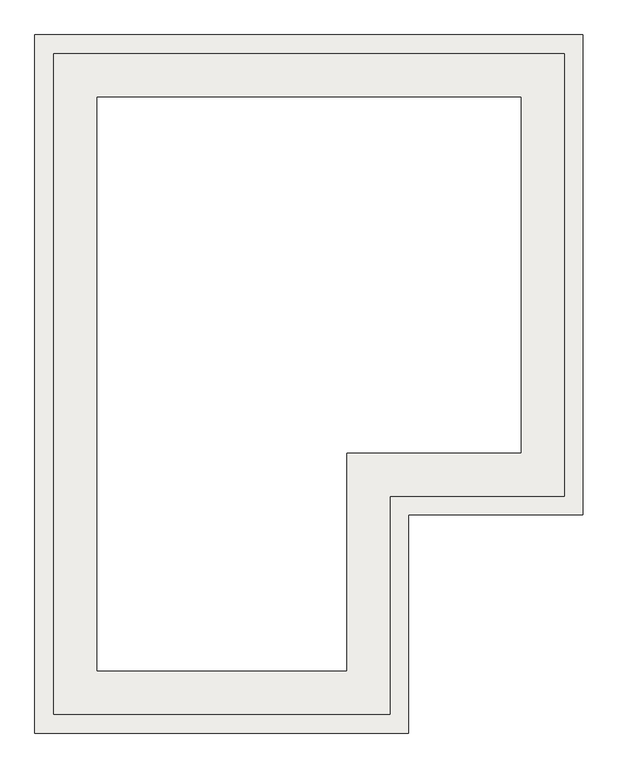
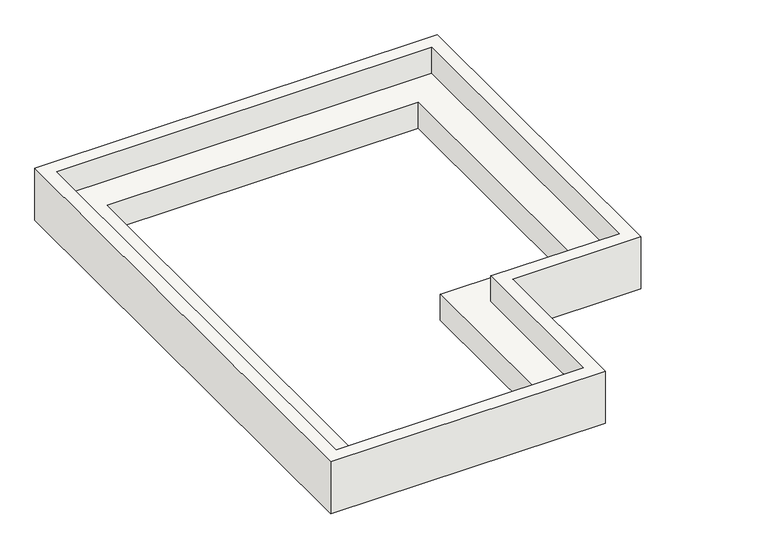
"""IFC4 building model written with IfcOpenShell, lengths in millimetres: slab geometry."""

import ifcopenshell
import ifcopenshell.guid

model = None  # the IFC model being written
_history = None  # IfcOwnerHistory: only IFC2X3 demands one
_inside = {}  # id of a spatial element -> (the spatial element, [elements in it])
_under = {}  # id of a project, library or spatial element -> (it, [spatial elements below it])
_declared = {}  # id of a project -> (the project, [libraries it declares])
_typed = {}  # id of a type object -> (the type object, [elements of that type])
_made_of = {}  # id of a material, layer set ... -> (it, [elements and type objects made of it])


def new_model(schema):
    """Start an empty IFC model of exactly this schema.

    Asked for "IFC4X3", IfcOpenShell would pick the latest addendum, in which some entities
    have other attributes; the version numbers below select the first issue.
    IFC2X3 requires an IfcOwnerHistory on every rooted entity: one is made here for all.
    """
    global model, _history
    if schema == "IFC4X3":
        model = ifcopenshell.file(schema_version=(4, 3, 0, 0))
    else:
        model = ifcopenshell.file(schema=schema)
    _inside.clear()
    _under.clear()
    _declared.clear()
    _typed.clear()
    _made_of.clear()
    _history = None
    if model.schema == "IFC2X3":
        org = make("IfcOrganization", Name="unknown")
        user = make(
            "IfcPersonAndOrganization",
            ThePerson=make("IfcPerson", FamilyName="unknown"),
            TheOrganization=org,
        )
        app = make(
            "IfcApplication",
            ApplicationDeveloper=org,
            Version="unknown",
            ApplicationFullName="unknown",
            ApplicationIdentifier="unknown",
        )
        _history = make(
            "IfcOwnerHistory",
            OwningUser=user,
            OwningApplication=app,
            ChangeAction="ADDED",
            CreationDate=0,
        )
    return model


def make(cls, **values):
    """One entity of the class cls with the attributes given. An attribute that is None is left unset."""
    return model.create_entity(
        cls, **{name: value for name, value in values.items() if value is not None}
    )


def rooted(cls, **values):
    """An entity with a GlobalId (a new one), such as an element, a storey or a relation."""
    return make(cls, GlobalId=ifcopenshell.guid.new(), OwnerHistory=_history, **values)


def si_unit(unit_type, name, prefix=None):
    """IfcSIUnit, for example si_unit("LENGTHUNIT", "METRE", prefix="MILLI")."""
    return make("IfcSIUnit", UnitType=unit_type, Prefix=prefix, Name=name)


def assignment(units):
    """IfcUnitAssignment: the units of a project."""
    return None if units is None else make("IfcUnitAssignment", Units=units)


def point(xyz):
    """IfcCartesianPoint."""
    return None if xyz is None else make("IfcCartesianPoint", Coordinates=xyz)


def direction(xyz):
    """IfcDirection."""
    return None if xyz is None else make("IfcDirection", DirectionRatios=xyz)


def frame(location, z_axis=None, x_axis=None):
    """IfcAxis2Placement3D, a coordinate frame: its origin and axes. An axis left out is left unset."""
    return make(
        "IfcAxis2Placement3D",
        Location=point(location),
        Axis=direction(z_axis),
        RefDirection=direction(x_axis),
    )


def origin():
    """The frame at (0, 0, 0) with its axes left unset."""
    return frame((0.0, 0.0, 0.0))


def place(relative_to, where):
    """IfcLocalPlacement: puts the frame where relative to a parent placement (None: the world)."""
    return make(
        "IfcLocalPlacement", PlacementRelTo=relative_to, RelativePlacement=where
    )


def context(
    kind, dimensions, precision=None, world=None, true_north=None, identifier=None
):
    """IfcGeometricRepresentationContext, for example the 3D "Model" context."""
    return make(
        "IfcGeometricRepresentationContext",
        ContextIdentifier=identifier,
        ContextType=kind,
        CoordinateSpaceDimension=dimensions,
        Precision=precision,
        WorldCoordinateSystem=world,
        TrueNorth=true_north,
    )


def project(units=None, contexts=None):
    """IfcProject with its units and contexts."""
    return rooted(
        "IfcProject",
        Name="project",
        RepresentationContexts=contexts,
        UnitsInContext=assignment(units),
    )


def spatial(cls, under=None, at=None, **own):
    """A site, building, storey or space (cls), placed at a placement, below another one or the project."""
    s = rooted(cls, ObjectPlacement=at, **own)
    if under is not None:
        _under.setdefault(under.id(), (under, []))[1].append(s)
    return s


def faces_of(points, faces, orient=None, outer=None):
    """IfcFace entities. A face is a list of loops; a loop is a list of indices into points, from 0.

    orient and outer hold one flag for each loop. By default every Orientation is true, the
    first loop of a face is its IfcFaceOuterBound and the others are IfcFaceBound.
    """
    made = []
    for i, loops in enumerate(faces):
        bounds = []
        for j, loop in enumerate(loops):
            is_outer = j == 0 if outer is None else outer[i][j]
            bounds.append(
                make(
                    "IfcFaceOuterBound" if is_outer else "IfcFaceBound",
                    Bound=make("IfcPolyLoop", Polygon=[points[k] for k in loop]),
                    Orientation=True if orient is None else orient[i][j],
                )
            )
        made.append(make("IfcFace", Bounds=bounds))
    return made


def faceted_brep(points, faces, orient=None, outer=None, voids=None):
    """IfcFacetedBrep: a solid bounded by flat faces; with voids (closed shells), ...WithVoids."""
    shared = [point(p) for p in points]
    hull = make("IfcClosedShell", CfsFaces=faces_of(shared, faces, orient, outer))
    if voids is None:
        return make("IfcFacetedBrep", Outer=hull)
    return make(
        "IfcFacetedBrepWithVoids",
        Outer=hull,
        Voids=[
            make(cls, CfsFaces=faces_of(shared, fs, o, b)) for cls, fs, o, b in voids
        ],
    )


def shape(context_of_items, identifier, shape_type, items):
    """IfcShapeRepresentation: the items that make up one representation, for example the "Body"."""
    return make(
        "IfcShapeRepresentation",
        ContextOfItems=context_of_items,
        RepresentationIdentifier=identifier,
        RepresentationType=shape_type,
        Items=items,
    )


def source(mapping_origin, context_of_items, identifier, shape_type, items):
    """IfcRepresentationMap: a shape defined once, which mapped items show again and again."""
    return make(
        "IfcRepresentationMap",
        MappingOrigin=mapping_origin,
        MappedRepresentation=shape(context_of_items, identifier, shape_type, items),
    )


def transform(
    local_origin,
    x_axis=None,
    y_axis=None,
    z_axis=None,
    scale=None,
    scale2=None,
    scale3=None,
    uniform=True,
):
    """IfcCartesianTransformationOperator3D, or its non-uniform kind. x_axis, y_axis, z_axis: its Axis1, 2, 3."""
    if uniform:
        return make(
            "IfcCartesianTransformationOperator3D",
            Axis1=direction(x_axis),
            Axis2=direction(y_axis),
            LocalOrigin=point(local_origin),
            Scale=scale,
            Axis3=direction(z_axis),
        )
    return make(
        "IfcCartesianTransformationOperator3DnonUniform",
        Axis1=direction(x_axis),
        Axis2=direction(y_axis),
        LocalOrigin=point(local_origin),
        Scale=scale,
        Axis3=direction(z_axis),
        Scale2=scale2,
        Scale3=scale3,
    )


def mapped(mapping_source, mapping_target):
    """IfcMappedItem: shows the shape of a source again, moved by a transform."""
    return make(
        "IfcMappedItem", MappingSource=mapping_source, MappingTarget=mapping_target
    )


def made_of(thing, what):
    """Note that an element or type object is made of a material, layer set ...; save() writes the relation."""
    if what is not None:
        _made_of.setdefault(what.id(), (what, []))[1].append(thing)
    return thing


def element(
    cls,
    number,
    at=None,
    inside=None,
    cuts=None,
    type_object=None,
    material=None,
    context=None,
    identifier="Body",
    shape_type=None,
    held_by="IfcProductDefinitionShape",
    body=None,
    shapes=None,
    **own,
):
    """One element of the class cls, such as IfcWall. Its Tag is "e" and its number.

    at: its placement. inside: the storey or other place that contains it. cuts: it is an
    opening in that element (IfcRelVoidsElement). A single representation is given by context,
    identifier, shape_type and body (its items); several are given by shapes. held_by: the class
    of the entity that holds the representations. save() writes the other relations.
    """
    e = rooted(cls, Tag="e%d" % number, ObjectPlacement=at, **own)
    if body is not None:
        shapes = [shape(context, identifier, shape_type, body)]
    if shapes is not None:
        e.Representation = make(held_by, Representations=shapes)
    if inside is not None:
        _inside.setdefault(inside.id(), (inside, []))[1].append(e)
    if cuts is not None:
        rooted(
            "IfcRelVoidsElement", RelatingBuildingElement=cuts, RelatedOpeningElement=e
        )
    if type_object is not None:
        _typed.setdefault(type_object.id(), (type_object, []))[1].append(e)
    return made_of(e, material)


def aggregate(whole, parts):
    """IfcRelAggregates: a whole, such as a stair, and the parts it consists of."""
    return rooted("IfcRelAggregates", RelatingObject=whole, RelatedObjects=parts)


def save(model, path):
    """Write the relations noted so far, then the file.

    IfcRelAggregates (storeys below a building ...), IfcRelContainedInSpatialStructure (elements
    in a storey), IfcRelDefinesByType, IfcRelAssociatesMaterial and IfcRelDeclares: one each for
    every whole, place, type object, material and project.
    """
    for whole, parts in _under.values():
        aggregate(whole, parts)
    for where, things in _inside.values():
        rooted(
            "IfcRelContainedInSpatialStructure",
            RelatedElements=things,
            RelatingStructure=where,
        )
    for kind, things in _typed.values():
        rooted("IfcRelDefinesByType", RelatedObjects=things, RelatingType=kind)
    for what, things in _made_of.values():
        rooted("IfcRelAssociatesMaterial", RelatedObjects=things, RelatingMaterial=what)
    for by, libraries in _declared.values():
        rooted("IfcRelDeclares", RelatingContext=by, RelatedDefinitions=libraries)
    model.write(path)


def slab_cab82c44(model_context):
    return source(origin(), model_context, "Body", "Brep", [
        faceted_brep([(16079.3852488, 10541.1764706, 16700.0), (16079.3852488, 10541.1764706, 16100.0), (16079.3852488, 4941.1764706, 16100.0), (16079.3852488, 4941.1764706, 16700.0), (16229.3852488, 10391.1764706, 16400.0), (16229.3852488, 10391.1764706, 16700.0), (16229.3852488, 5091.1764706, 16700.0), (16229.3852488, 5091.1764706, 16400.0), (19079.3852488, 4941.1764706, 16100.0), (19079.3852488, 4941.1764706, 16700.0), (18929.3852488, 5091.1764706, 16700.0), (18929.3852488, 5091.1764706, 16400.0), (18929.3852488, 6841.1764706, 16700.0), (18929.3852488, 6841.1764706, 16400.0), (19079.3852488, 6691.1764706, 16100.0), (19079.3852488, 6691.1764706, 16700.0), (20329.3587329, 6841.1764706, 16700.0), (20329.3587329, 6841.1764706, 16400.0), (20479.3587329, 6691.1764706, 16100.0), (20479.3587329, 6691.1764706, 16700.0), (20329.3587329, 10391.1764706, 16700.0), (20329.3587329, 10391.1764706, 16400.0), (20479.3587329, 10541.1764706, 16100.0), (20479.3587329, 10541.1764706, 16700.0), (16579.3852488, 5441.1764706, 16400.0), (16579.3852488, 10041.1764706, 16400.0), (19979.3587329, 10041.1764706, 16400.0), (19979.3587329, 7191.1764706, 16400.0), (18579.3852488, 7191.1764706, 16400.0), (18579.3852488, 5441.1764706, 16400.0), (16579.3852488, 10041.1764706, 16100.0), (16579.3852488, 5441.1764706, 16100.0), (18579.3852488, 5441.1764706, 16100.0), (18579.3852488, 7191.1764706, 16100.0), (19979.3587329, 7191.1764706, 16100.0), (19979.3587329, 10041.1764706, 16100.0)], [[[0, 1, 2, 3]], [[4, 5, 6, 7]], [[2, 8, 9, 3]], [[6, 10, 11, 7]], [[11, 10, 12, 13]], [[9, 8, 14, 15]], [[13, 12, 16, 17]], [[15, 14, 18, 19]], [[17, 16, 20, 21]], [[19, 18, 22, 23]], [[4, 7, 11, 13, 17, 21], [24, 25, 26, 27, 28, 29]], [[5, 4, 21, 20]], [[0, 3, 9, 15, 19, 23], [10, 6, 5, 20, 16, 12]], [[1, 0, 23, 22]], [[8, 2, 1, 22, 18, 14], [30, 31, 32, 33, 34, 35]], [[24, 31, 30, 25]], [[31, 24, 29, 32]], [[32, 29, 28, 33]], [[33, 28, 27, 34]], [[34, 27, 26, 35]], [[25, 30, 35, 26]]]),
    ])


if __name__ == "__main__":
    model = new_model("IFC4")
    model_context = context("Model", 3, world=origin())
    ifc_project = project(units=[si_unit("LENGTHUNIT", "METRE", prefix="MILLI")], contexts=[model_context])
    site = spatial("IfcSite", under=ifc_project)
    building = spatial("IfcBuilding", under=site)
    placement = place(None, origin())
    slab_shape = slab_cab82c44(model_context)
    element("IfcSlab", 1, at=placement, inside=building, context=model_context, shape_type="MappedRepresentation", body=[
        mapped(slab_shape, transform((0.0, 0.0, 0.0), x_axis=(1.0, 0.0, 0.0), y_axis=(0.0, 1.0, 0.0), z_axis=(0.0, 0.0, 1.0))),
    ])
    save(model, "model.ifc")
